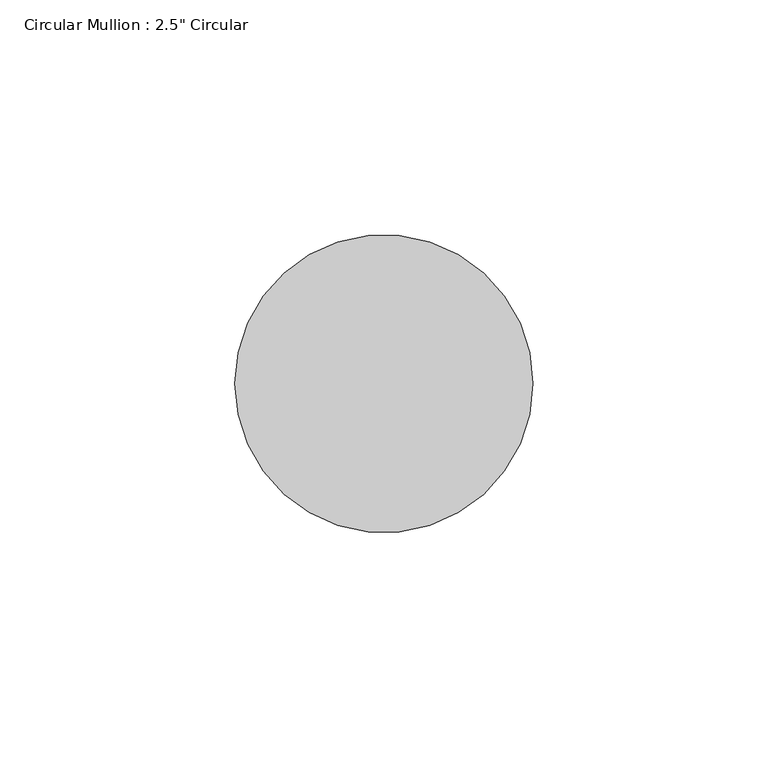
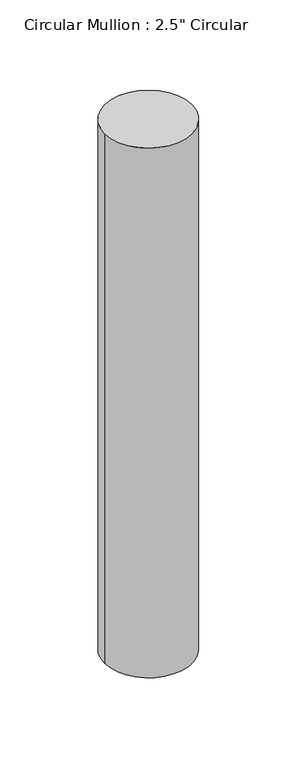
"""IFC4 building model written with IfcOpenShell, lengths in millimetres: member geometry."""

from ifc_helpers import new_model, si_unit, point, frame, frame_2d, origin, place, context, project, spatial, circle_curve, trimmed, segment, composite_curve, outline, extrude, source, transform, mapped, element, save


def member_8a4fe75a(model_context):
    return source(origin(), model_context, "Body", "SweptSolid", [
        extrude(outline(composite_curve([segment(trimmed(circle_curve(frame_2d((-31.75, 0.0)), 31.75), [point((0.0, 0.0))], [point((-63.5, 0.0))], False, "CARTESIAN"), True, "CONTINUOUS"), segment(trimmed(circle_curve(frame_2d((-31.75, 0.0)), 31.75), [point((-63.5, 0.0))], [point((0.0, 0.0))], False, "CARTESIAN"), True, "CONTINUOUS")], self_intersect=False)), frame((0.0, 0.0, -406.5), z_axis=(0.0, 0.0, 1.0), x_axis=(1.0, 0.0, 0.0)), (0.0, 0.0, 1.0), 406.5),
    ])


if __name__ == "__main__":
    model = new_model("IFC4")
    model_context = context("Model", 3, world=origin())
    ifc_project = project(units=[si_unit("LENGTHUNIT", "METRE", prefix="MILLI")], contexts=[model_context])
    site = spatial("IfcSite", under=ifc_project)
    building = spatial("IfcBuilding", under=site)
    placement = place(None, origin())
    member_shape = member_8a4fe75a(model_context)
    element("IfcMember", 1, ObjectType="Circular Mullion : 2.5\" Circular", at=placement, inside=building, context=model_context, shape_type="MappedRepresentation", body=[
        mapped(member_shape, transform((0.0, 0.0, 0.0), x_axis=(1.0, 0.0, 0.0), y_axis=(0.0, 1.0, 0.0), z_axis=(0.0, 0.0, 1.0))),
    ])
    save(model, "model.ifc")
